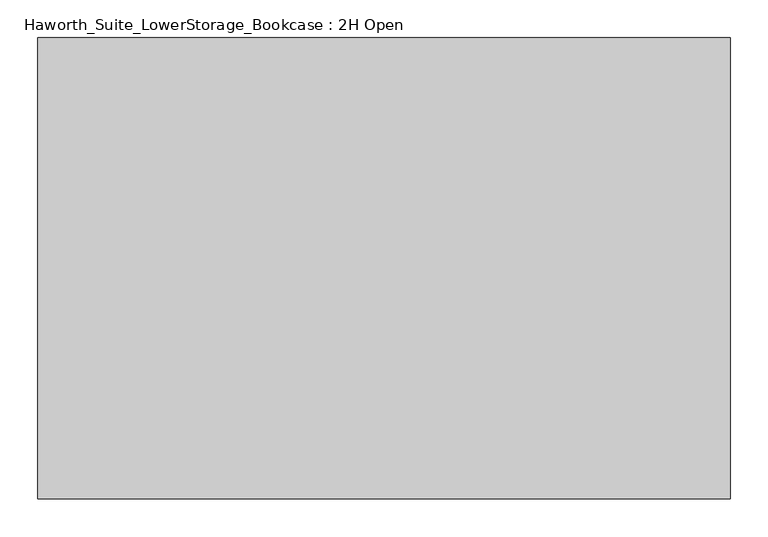
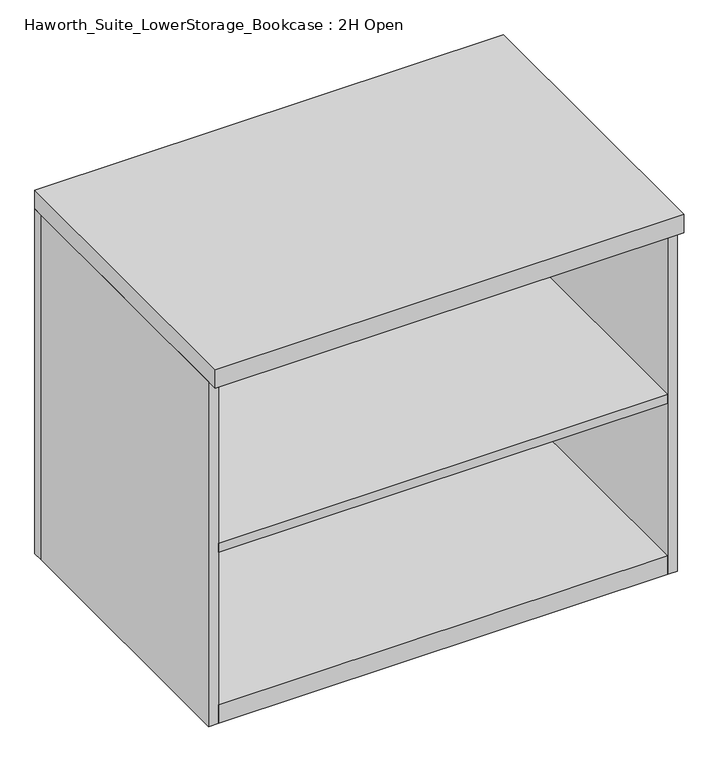
"""IFC4 building model written with IfcOpenShell, lengths in millimetres: furniture geometry, Haworth_Suite_LowerStorage_Bookcase : 2H Open."""

from ifc_helpers import new_model, si_unit, frame, origin, origin_with_axes, place, context, project, spatial, polyline, outline, extrude, source, transform, mapped, element, save


def haworth_suite_lowerstorage_bookcase_2h_open_9c8180c5(model_context):
    return source(origin(), model_context, "Body", "SweptSolid", [
        extrude(outline(polyline([(425.45, -152.4), (425.45, -600.075), (-450.85, -600.075), (-450.85, -152.4), (425.45, -152.4)])), frame((0.0, 0.0, 352.425), z_axis=(0.0, 0.0, 1.0), x_axis=(1.0, 0.0, 0.0)), (0.0, 0.0, 1.0), 19.05),
        extrude(outline(polyline([(444.5, -12.7), (444.5, -622.3), (-469.9, -622.3), (-469.9, -12.7), (444.5, -12.7)])), frame((0.0, 0.0, 711.2), z_axis=(0.0, 0.0, 1.0), x_axis=(1.0, 0.0, 0.0)), (0.0, 0.0, 1.0), 38.1),
        extrude(outline(polyline([(425.45, -133.35), (425.45, -152.4), (-450.85, -152.4), (-450.85, -133.35), (425.45, -133.35)])), frame((0.0, 0.0, 38.1), z_axis=(0.0, 0.0, 1.0), x_axis=(1.0, 0.0, 0.0)), (0.0, 0.0, 1.0), 654.05),
        extrude(outline(polyline([(425.45, -133.35), (425.45, -501.65), (-450.85, -501.65), (-450.85, -133.35), (425.45, -133.35)])), frame((0.0, 0.0, 692.15), z_axis=(0.0, 0.0, 1.0), x_axis=(1.0, 0.0, 0.0)), (0.0, 0.0, 1.0), 19.05),
        extrude(outline(polyline([(444.5, -12.7), (444.5, -31.75), (-469.9, -31.75), (-469.9, -12.7), (444.5, -12.7)])), origin_with_axes(), (0.0, 0.0, 1.0), 711.2),
        extrude(outline(polyline([(425.45, -31.75), (425.45, -600.075), (-450.85, -600.075), (-450.85, -31.75), (425.45, -31.75)])), origin_with_axes(), (0.0, 0.0, 1.0), 38.1),
        extrude(outline(polyline([(-450.85, -31.75), (-450.85, -600.075), (-469.9, -600.075), (-469.9, -31.75), (-450.85, -31.75)])), origin_with_axes(), (0.0, 0.0, 1.0), 711.2),
        extrude(outline(polyline([(444.5, -600.075), (425.45, -600.075), (425.45, -31.75), (444.5, -31.75), (444.5, -600.075)])), origin_with_axes(), (0.0, 0.0, 1.0), 711.2),
    ])


if __name__ == "__main__":
    model = new_model("IFC4")
    model_context = context("Model", 3, world=origin())
    ifc_project = project(units=[si_unit("LENGTHUNIT", "METRE", prefix="MILLI")], contexts=[model_context])
    site = spatial("IfcSite", under=ifc_project)
    building = spatial("IfcBuilding", under=site)
    placement = place(None, origin())
    haworth_suite_lowerstorage_bookcase_2h_open_shape = haworth_suite_lowerstorage_bookcase_2h_open_9c8180c5(model_context)
    element("IfcFurniture", 1, ObjectType="Haworth_Suite_LowerStorage_Bookcase : 2H Open", at=placement, inside=building, context=model_context, shape_type="MappedRepresentation", body=[
        mapped(haworth_suite_lowerstorage_bookcase_2h_open_shape, transform((0.0, 0.0, 0.0), x_axis=(1.0, 0.0, 0.0), y_axis=(0.0, 1.0, 0.0), z_axis=(0.0, 0.0, 1.0))),
    ])
    save(model, "model.ifc")
